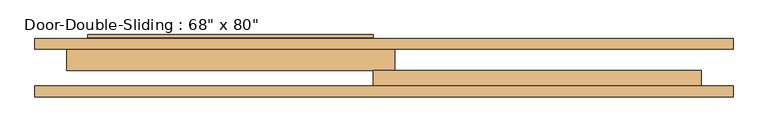
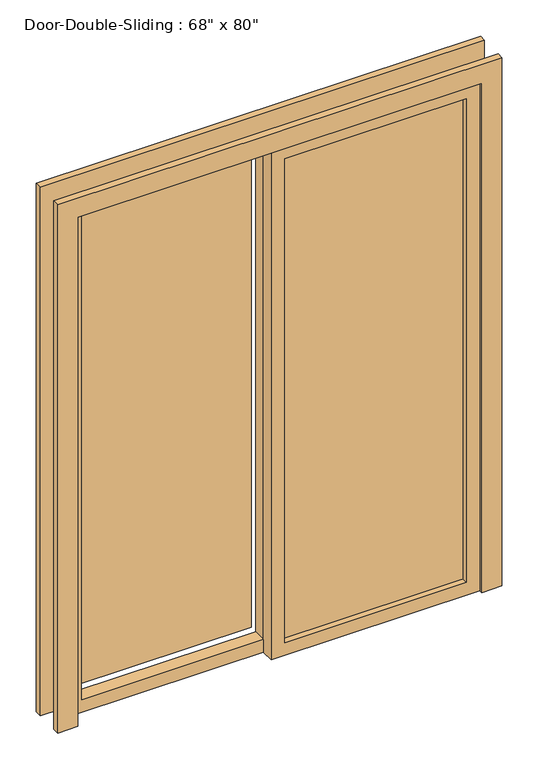
"""IFC4 building model written with IfcOpenShell, lengths in millimetres: door geometry."""

import ifcopenshell
import ifcopenshell.guid

model = None  # the IFC model being written
_history = None  # IfcOwnerHistory: only IFC2X3 demands one
_inside = {}  # id of a spatial element -> (the spatial element, [elements in it])
_under = {}  # id of a project, library or spatial element -> (it, [spatial elements below it])
_declared = {}  # id of a project -> (the project, [libraries it declares])
_typed = {}  # id of a type object -> (the type object, [elements of that type])
_made_of = {}  # id of a material, layer set ... -> (it, [elements and type objects made of it])


def new_model(schema):
    """Start an empty IFC model of exactly this schema.

    Asked for "IFC4X3", IfcOpenShell would pick the latest addendum, in which some entities
    have other attributes; the version numbers below select the first issue.
    IFC2X3 requires an IfcOwnerHistory on every rooted entity: one is made here for all.
    """
    global model, _history
    if schema == "IFC4X3":
        model = ifcopenshell.file(schema_version=(4, 3, 0, 0))
    else:
        model = ifcopenshell.file(schema=schema)
    _inside.clear()
    _under.clear()
    _declared.clear()
    _typed.clear()
    _made_of.clear()
    _history = None
    if model.schema == "IFC2X3":
        org = make("IfcOrganization", Name="unknown")
        user = make(
            "IfcPersonAndOrganization",
            ThePerson=make("IfcPerson", FamilyName="unknown"),
            TheOrganization=org,
        )
        app = make(
            "IfcApplication",
            ApplicationDeveloper=org,
            Version="unknown",
            ApplicationFullName="unknown",
            ApplicationIdentifier="unknown",
        )
        _history = make(
            "IfcOwnerHistory",
            OwningUser=user,
            OwningApplication=app,
            ChangeAction="ADDED",
            CreationDate=0,
        )
    return model


def make(cls, **values):
    """One entity of the class cls with the attributes given. An attribute that is None is left unset."""
    return model.create_entity(
        cls, **{name: value for name, value in values.items() if value is not None}
    )


def rooted(cls, **values):
    """An entity with a GlobalId (a new one), such as an element, a storey or a relation."""
    return make(cls, GlobalId=ifcopenshell.guid.new(), OwnerHistory=_history, **values)


def si_unit(unit_type, name, prefix=None):
    """IfcSIUnit, for example si_unit("LENGTHUNIT", "METRE", prefix="MILLI")."""
    return make("IfcSIUnit", UnitType=unit_type, Prefix=prefix, Name=name)


def assignment(units):
    """IfcUnitAssignment: the units of a project."""
    return None if units is None else make("IfcUnitAssignment", Units=units)


def point(xyz):
    """IfcCartesianPoint."""
    return None if xyz is None else make("IfcCartesianPoint", Coordinates=xyz)


def direction(xyz):
    """IfcDirection."""
    return None if xyz is None else make("IfcDirection", DirectionRatios=xyz)


def frame(location, z_axis=None, x_axis=None):
    """IfcAxis2Placement3D, a coordinate frame: its origin and axes. An axis left out is left unset."""
    return make(
        "IfcAxis2Placement3D",
        Location=point(location),
        Axis=direction(z_axis),
        RefDirection=direction(x_axis),
    )


def origin():
    """The frame at (0, 0, 0) with its axes left unset."""
    return frame((0.0, 0.0, 0.0))


def place(relative_to, where):
    """IfcLocalPlacement: puts the frame where relative to a parent placement (None: the world)."""
    return make(
        "IfcLocalPlacement", PlacementRelTo=relative_to, RelativePlacement=where
    )


def context(
    kind, dimensions, precision=None, world=None, true_north=None, identifier=None
):
    """IfcGeometricRepresentationContext, for example the 3D "Model" context."""
    return make(
        "IfcGeometricRepresentationContext",
        ContextIdentifier=identifier,
        ContextType=kind,
        CoordinateSpaceDimension=dimensions,
        Precision=precision,
        WorldCoordinateSystem=world,
        TrueNorth=true_north,
    )


def project(units=None, contexts=None):
    """IfcProject with its units and contexts."""
    return rooted(
        "IfcProject",
        Name="project",
        RepresentationContexts=contexts,
        UnitsInContext=assignment(units),
    )


def spatial(cls, under=None, at=None, **own):
    """A site, building, storey or space (cls), placed at a placement, below another one or the project."""
    s = rooted(cls, ObjectPlacement=at, **own)
    if under is not None:
        _under.setdefault(under.id(), (under, []))[1].append(s)
    return s


def polyline(points):
    """IfcPolyline through the points."""
    return make("IfcPolyline", Points=[point(p) for p in points])


def outline(outer, holes=None, kind="AREA"):
    """IfcArbitraryClosedProfileDef: a profile drawn as a closed curve; with holes, ...WithVoids."""
    if holes is None:
        return make("IfcArbitraryClosedProfileDef", ProfileType=kind, OuterCurve=outer)
    return make(
        "IfcArbitraryProfileDefWithVoids",
        ProfileType=kind,
        OuterCurve=outer,
        InnerCurves=holes,
    )


def extrude(swept, where, along, depth):
    """IfcExtrudedAreaSolid: the profile swept, set in the frame where, extruded along a direction by depth."""
    return make(
        "IfcExtrudedAreaSolid",
        SweptArea=swept,
        Position=where,
        ExtrudedDirection=direction(along),
        Depth=depth,
    )


def shape(context_of_items, identifier, shape_type, items):
    """IfcShapeRepresentation: the items that make up one representation, for example the "Body"."""
    return make(
        "IfcShapeRepresentation",
        ContextOfItems=context_of_items,
        RepresentationIdentifier=identifier,
        RepresentationType=shape_type,
        Items=items,
    )


def source(mapping_origin, context_of_items, identifier, shape_type, items):
    """IfcRepresentationMap: a shape defined once, which mapped items show again and again."""
    return make(
        "IfcRepresentationMap",
        MappingOrigin=mapping_origin,
        MappedRepresentation=shape(context_of_items, identifier, shape_type, items),
    )


def transform(
    local_origin,
    x_axis=None,
    y_axis=None,
    z_axis=None,
    scale=None,
    scale2=None,
    scale3=None,
    uniform=True,
):
    """IfcCartesianTransformationOperator3D, or its non-uniform kind. x_axis, y_axis, z_axis: its Axis1, 2, 3."""
    if uniform:
        return make(
            "IfcCartesianTransformationOperator3D",
            Axis1=direction(x_axis),
            Axis2=direction(y_axis),
            LocalOrigin=point(local_origin),
            Scale=scale,
            Axis3=direction(z_axis),
        )
    return make(
        "IfcCartesianTransformationOperator3DnonUniform",
        Axis1=direction(x_axis),
        Axis2=direction(y_axis),
        LocalOrigin=point(local_origin),
        Scale=scale,
        Axis3=direction(z_axis),
        Scale2=scale2,
        Scale3=scale3,
    )


def mapped(mapping_source, mapping_target):
    """IfcMappedItem: shows the shape of a source again, moved by a transform."""
    return make(
        "IfcMappedItem", MappingSource=mapping_source, MappingTarget=mapping_target
    )


def made_of(thing, what):
    """Note that an element or type object is made of a material, layer set ...; save() writes the relation."""
    if what is not None:
        _made_of.setdefault(what.id(), (what, []))[1].append(thing)
    return thing


def element(
    cls,
    number,
    at=None,
    inside=None,
    cuts=None,
    type_object=None,
    material=None,
    context=None,
    identifier="Body",
    shape_type=None,
    held_by="IfcProductDefinitionShape",
    body=None,
    shapes=None,
    **own,
):
    """One element of the class cls, such as IfcWall. Its Tag is "e" and its number.

    at: its placement. inside: the storey or other place that contains it. cuts: it is an
    opening in that element (IfcRelVoidsElement). A single representation is given by context,
    identifier, shape_type and body (its items); several are given by shapes. held_by: the class
    of the entity that holds the representations. save() writes the other relations.
    """
    e = rooted(cls, Tag="e%d" % number, ObjectPlacement=at, **own)
    if body is not None:
        shapes = [shape(context, identifier, shape_type, body)]
    if shapes is not None:
        e.Representation = make(held_by, Representations=shapes)
    if inside is not None:
        _inside.setdefault(inside.id(), (inside, []))[1].append(e)
    if cuts is not None:
        rooted(
            "IfcRelVoidsElement", RelatingBuildingElement=cuts, RelatedOpeningElement=e
        )
    if type_object is not None:
        _typed.setdefault(type_object.id(), (type_object, []))[1].append(e)
    return made_of(e, material)


def aggregate(whole, parts):
    """IfcRelAggregates: a whole, such as a stair, and the parts it consists of."""
    return rooted("IfcRelAggregates", RelatingObject=whole, RelatedObjects=parts)


def save(model, path):
    """Write the relations noted so far, then the file.

    IfcRelAggregates (storeys below a building ...), IfcRelContainedInSpatialStructure (elements
    in a storey), IfcRelDefinesByType, IfcRelAssociatesMaterial and IfcRelDeclares: one each for
    every whole, place, type object, material and project.
    """
    for whole, parts in _under.values():
        aggregate(whole, parts)
    for where, things in _inside.values():
        rooted(
            "IfcRelContainedInSpatialStructure",
            RelatedElements=things,
            RelatingStructure=where,
        )
    for kind, things in _typed.values():
        rooted("IfcRelDefinesByType", RelatedObjects=things, RelatingType=kind)
    for what, things in _made_of.values():
        rooted("IfcRelAssociatesMaterial", RelatedObjects=things, RelatingMaterial=what)
    for by, libraries in _declared.values():
        rooted("IfcRelDeclares", RelatingContext=by, RelatedDefinitions=libraries)
    model.write(path)


def door_c661339d(model_context):
    return source(origin(), model_context, "Body", "SweptSolid", [
        extrude(outline(polyline([(0.0, -838.2), (0.0, -762.0), (2032.0, -762.0), (2032.0, 762.0), (0.0, 762.0), (0.0, 838.2), (2108.2, 838.2), (2108.2, -838.2), (0.0, -838.2)])), frame((0.0, 57.15, 0.0), z_axis=(0.0, 1.0, 0.0), x_axis=(0.0, 0.0, 1.0)), (0.0, 0.0, 1.0), 25.4),
        extrude(outline(polyline([(0.0, 838.2), (2108.2, 838.2), (2108.2, -838.2), (0.0, -838.2), (0.0, -762.0), (2032.0, -762.0), (2032.0, 762.0), (0.0, 762.0), (0.0, 838.2)])), frame((0.0, 171.45, 0.0), z_axis=(0.0, 1.0, 0.0), x_axis=(0.0, 0.0, 1.0)), (0.0, 0.0, 1.0), 25.4),
        extrude(outline(polyline([(2032.0, -25.4), (0.0, -25.4), (0.0, 762.0), (2032.0, 762.0), (2032.0, -25.4)]), holes=[polyline([(1981.2, 25.4), (1981.2, 711.2), (50.8, 711.2), (50.8, 25.4), (1981.2, 25.4)])]), frame((0.0, 69.85, 0.0), z_axis=(0.0, 1.0, 0.0), x_axis=(0.0, 0.0, 1.0)), (0.0, 0.0, 1.0), 50.8),
        extrude(outline(polyline([(2032.0, 25.4), (2032.0, -762.0), (0.0, -762.0), (0.0, 25.4), (2032.0, 25.4)]), holes=[polyline([(1981.2, -25.4), (50.8, -25.4), (50.8, -711.2), (1981.2, -711.2), (1981.2, -25.4)])]), frame((0.0, 120.65, 0.0), z_axis=(0.0, 1.0, 0.0), x_axis=(0.0, 0.0, 1.0)), (0.0, 0.0, 1.0), 50.8),
        extrude(outline(polyline([(25.4, 98.425), (711.2, 98.425), (711.2, 92.075), (25.4, 92.075), (25.4, 98.425)])), frame((0.0, 0.0, 50.8), z_axis=(0.0, 0.0, 1.0), x_axis=(1.0, 0.0, 0.0)), (0.0, 0.0, 1.0), 1930.4),
        extrude(outline(polyline([(-25.4, 200.025), (-711.2, 200.025), (-711.2, 206.375), (-25.4, 206.375), (-25.4, 200.025)])), frame((0.0, 0.0, 50.8), z_axis=(0.0, 0.0, 1.0), x_axis=(1.0, 0.0, 0.0)), (0.0, 0.0, 1.0), 1930.4),
    ])


if __name__ == "__main__":
    model = new_model("IFC4")
    model_context = context("Model", 3, world=origin())
    ifc_project = project(units=[si_unit("LENGTHUNIT", "METRE", prefix="MILLI")], contexts=[model_context])
    site = spatial("IfcSite", under=ifc_project)
    building = spatial("IfcBuilding", under=site)
    placement = place(None, origin())
    door_shape = door_c661339d(model_context)
    element("IfcDoor", 1, ObjectType="Door-Double-Sliding : 68\" x 80\"", at=placement, inside=building, context=model_context, shape_type="MappedRepresentation", body=[
        mapped(door_shape, transform((0.0, 0.0, 0.0), x_axis=(1.0, 0.0, 0.0), y_axis=(0.0, 1.0, 0.0), z_axis=(0.0, 0.0, 1.0))),
    ])
    save(model, "model.ifc")
